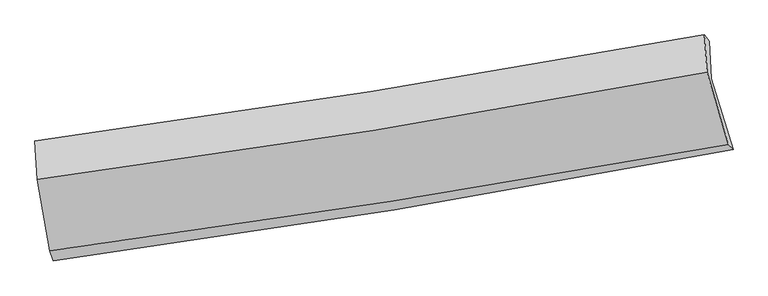
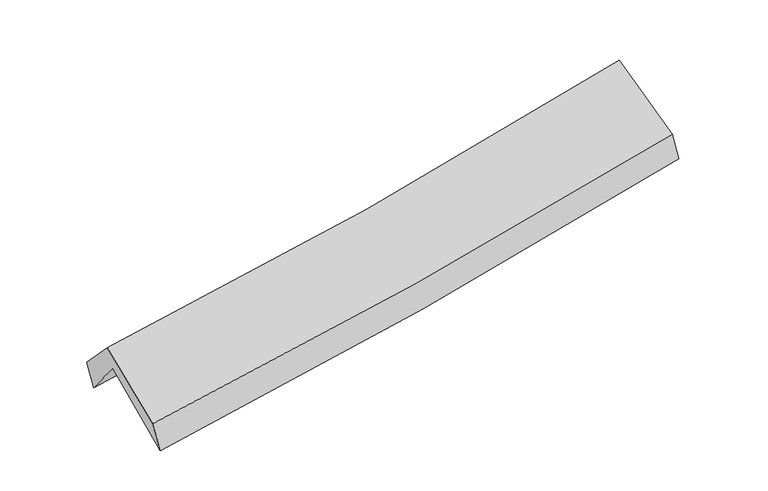
"""IFC4 building model written with IfcOpenShell, lengths in millimetres: proxy geometry."""

from ifc_helpers import new_model, si_unit, frame, origin, place, context, project, spatial, source, transform, mapped, element, save
from ifc_brep_helpers import plane_surface, spline_curve, spline_surface, advanced_brep


def generic_models_4163f539(model_context):
    return source(origin(), model_context, "Body", "AdvancedBrep", [
        advanced_brep(
        [(-2261.7029277, -2471.7681918, 1487.9512297), (-2355.3371126, -1955.9781704, 1922.3863574), (2286.8375913, -1209.6722286, 2333.8012231), (2437.5815587, -1702.2910762, 1907.9644128), (-2366.0961652, -1709.9428166, 1609.756268), (2273.1973323, -952.0271425, 2030.9222585), (-2386.8181272, -1643.0603744, 1797.6510386), (2239.8286081, -907.4932547, 2228.5566318), (-2371.3671056, -1909.0676429, 2077.1091472), (2257.3529028, -1164.7432926, 2499.4924815), (-2283.3323656, -2402.2854187, 1684.71243), (2405.1016283, -1665.4173258, 2110.7081936)],
        [
            (0, 1),
            (1, 2, spline_curve(3, [(-2355.3371126, -1955.9781704, 1922.3863574), (-1575.494429335, -1856.246668022, 1970.788604647), (-798.451875058, -1744.135690254, 2029.30589371), (748.931733228, -1495.331851936, 2166.472935809), (1519.280746834, -1358.674182562, 2245.093935417), (2286.8375913, -1209.6722286, 2333.8012231)], [4, 2, 4], [0.0, 7.799135152701914, 15.587177218448044])),
            (2, 3),
            (3, 0, spline_curve(3, [(2437.5815587, -1702.2910762, 1907.9644128), (1660.188131543, -1852.611725068, 1826.119418458), (880.164949387, -1991.85739457, 1750.216500476), (-686.255715916, -2248.381338868, 1610.195166699), (-1472.660695795, -2365.628041018, 1546.093690234), (-2261.7029277, -2471.7681918, 1487.9512297)], [4, 2, 4], [0.0, 7.78804206574613, 15.587177218448044])),
            (1, 4),
            (4, 5, spline_curve(3, [(-2366.0961652, -1709.9428166, 1609.756268), (-1587.566606413, -1602.140593265, 1660.45233515), (-811.420589611, -1485.028271365, 1720.929468517), (735.003800837, -1232.363247954, 1861.345936449), (1505.288949625, -1096.837011506, 1941.257466513), (2273.1973323, -952.0271425, 2030.9222585)], [4, 2, 4], [0.0, 7.749395330927355, 15.487768322251972])),
            (5, 2),
            (4, 6),
            (6, 7, spline_curve(3, [(-2386.8181272, -1643.0603744, 1797.6510386), (-1610.52717688, -1536.934490091, 1844.634287275), (-836.555065152, -1422.524772668, 1904.069121834), (705.653921598, -1177.3121847, 2047.739715635), (1473.897388303, -1046.53286202, 2131.940078719), (2239.8286081, -907.4932547, 2228.5566318)], [4, 2, 4], [0.0, 7.7367545302546326, 15.46250470052841])),
            (7, 5),
            (6, 8),
            (8, 9, spline_curve(3, [(-2371.3671056, -1909.0676429, 2077.1091472), (-1594.288865331, -1807.729375934, 2129.225844112), (-819.750369846, -1694.980955215, 2190.514376578), (723.149079703, -1446.840402928, 2331.334893834), (1491.517254061, -1311.480707044, 2410.840805965), (2257.3529028, -1164.7432926, 2499.4924815)], [4, 2, 4], [0.0, 7.726648041484381, 15.442306097935457])),
            (9, 7),
            (8, 10),
            (10, 11, spline_curve(3, [(-2283.3323656, -2402.2854187, 1684.71243), (-1496.71459564, -2297.052618036, 1737.64878351), (-712.426479125, -2182.980555751, 1799.648317189), (850.378229602, -1937.332730966, 1941.672668478), (1628.901444475, -1805.782095553, 2021.671722868), (2405.1016283, -1665.4173258, 2110.7081936)], [4, 2, 4], [0.0, 7.776118182507301, 15.541176016208219])),
            (11, 9),
            (10, 0),
            (3, 11),
        ],
        [
            spline_surface(3, 3, [[(-2261.7029277, -2471.7681918, 1487.9512297), (-1472.660695808, -2365.62804104, 1546.093690298), (-686.255715904, -2248.381338803, 1610.195166632), (880.164949375, -1991.857394635, 1750.216500543), (1660.18813162, -1852.611725007, 1826.11941856), (2437.5815587, -1702.2910762, 1907.9644128)], [(-2292.914322674, -2299.838184693, 1632.762938929), (-1506.938606974, -2195.834250058, 1687.65866174), (-723.654435621, -2080.299455911, 1749.89874227), (836.420543939, -1826.348880436, 1888.968645653), (1613.219003351, -1687.965877581, 1965.77759087), (2387.333569574, -1538.08479368, 2049.910016218)], [(-2324.125717626, -2127.908177507, 1777.574648171), (-1541.216518118, -2026.040458998, 1829.223633197), (-761.053155259, -1912.217573031, 1889.602317958), (792.676138582, -1660.840366249, 2027.720790813), (1566.249875059, -1523.320030114, 2105.435763227), (2337.085580426, -1373.87851112, 2191.855619682)], [(-2355.3371126, -1955.9781704, 1922.3863574), (-1575.494429284, -1856.246668016, 1970.788604639), (-798.451874975, -1744.13569014, 2029.305893596), (748.931733145, -1495.331852051, 2166.472935922), (1519.28074679, -1358.674182688, 2245.093935537), (2286.8375913, -1209.6722286, 2333.8012231)]], [4, 4], [4, 2, 4], [0.0, 2.175431119174337], [0.0, 7.799135152701914, 15.587177218448044]),
            spline_surface(3, 3, [[(-2355.3371126, -1955.9781704, 1922.3863574), (-1575.494429284, -1856.246668016, 1970.788604639), (-798.451874975, -1744.13569014, 2029.305893596), (748.931733145, -1495.331852051, 2166.472935922), (1519.28074679, -1358.674182688, 2245.093935537), (2286.8375913, -1209.6722286, 2333.8012231)], [(-2358.923463463, -1873.966385782, 1818.176327595), (-1579.518488309, -1771.54464308, 1867.343181462), (-802.774779796, -1657.766550591, 1926.513751911), (744.289089018, -1407.675650665, 2064.763936095), (1514.616814411, -1271.395125666, 2143.815112538), (2282.290838296, -1123.790533234, 2232.841568253)], [(-2362.509814337, -1791.954601218, 1713.966297805), (-1583.542547346, -1686.842618198, 1763.8977583), (-807.097684666, -1571.397411008, 1823.721610218), (739.646444841, -1320.019449246, 1963.05493626), (1509.952882044, -1184.116068641, 2042.536289479), (2277.744085304, -1037.908837866, 2131.881913347)], [(-2366.0961652, -1709.9428166, 1609.756268), (-1587.566606371, -1602.140593261, 1660.452335123), (-811.420589487, -1485.02827146, 1720.929468532), (735.003800713, -1232.36324786, 1861.345936434), (1505.288949665, -1096.837011619, 1941.25746648), (2273.1973323, -952.0271425, 2030.9222585)]], [4, 4], [4, 2, 4], [0.0, 1.322216241098324], [0.0, 7.749395330927355, 15.487768322251972]),
            spline_surface(3, 3, [[(-2366.0961652, -1709.9428166, 1609.756268), (-1587.566606371, -1602.140593261, 1660.452335123), (-811.420589487, -1485.02827146, 1720.929468532), (735.003800713, -1232.36324786, 1861.345936434), (1505.288949665, -1096.837011619, 1941.25746648), (2273.1973323, -952.0271425, 2030.9222585)], [(-2373.003485846, -1687.648669198, 1672.387858199), (-1595.220129866, -1580.405225557, 1721.846319196), (-819.798748034, -1464.193771873, 1781.976019672), (725.220507667, -1214.012893434, 1923.477196121), (1494.825095861, -1080.068961789, 2004.818337178), (2262.074424226, -937.182513242, 2096.800382927)], [(-2379.910806554, -1665.354521802, 1735.019448401), (-1602.873653425, -1558.669857859, 1783.240303274), (-828.176906581, -1443.35927233, 1843.022570823), (715.43721462, -1195.662539051, 1985.60845582), (1484.361242079, -1063.300911935, 2068.379207895), (2250.951516174, -922.337883958, 2162.678507373)], [(-2386.8181272, -1643.0603744, 1797.6510386), (-1610.52717692, -1536.934490154, 1844.634287347), (-836.555065128, -1422.524772743, 1904.069121962), (705.653921574, -1177.312184625, 2047.739715507), (1473.897388275, -1046.532862105, 2131.940078592), (2239.8286081, -907.4932547, 2228.5566318)]], [4, 4], [4, 2, 4], [0.0, 0.6423684276091146], [0.0, 7.7367545302546326, 15.46250470052841]),
            spline_surface(3, 3, [[(-2386.8181272, -1643.0603744, 1797.6510386), (-1610.52717692, -1536.934490154, 1844.634287347), (-836.555065128, -1422.524772743, 1904.069121962), (705.653921574, -1177.312184625, 2047.739715507), (1473.897388275, -1046.532862105, 2131.940078592), (2239.8286081, -907.4932547, 2228.5566318)], [(-2381.667786689, -1731.729463901, 1890.80374148), (-1605.114406415, -1627.199452065, 1939.498139582), (-830.953500086, -1513.34350021, 1999.550873491), (711.485640981, -1267.154924093, 2142.271441621), (1479.770676831, -1134.848810386, 2224.906987749), (2245.67003967, -993.243267313, 2318.868581695)], [(-2376.517446111, -1820.398553399, 1983.95644432), (-1599.701635845, -1717.464413971, 2034.361991776), (-825.351935012, -1604.162227662, 2095.032625027), (717.31736042, -1356.997663546, 2236.803167742), (1485.643965378, -1223.16475873, 2317.873896923), (2251.51147123, -1078.993279987, 2409.180531605)], [(-2371.3671056, -1909.0676429, 2077.1091472), (-1594.288865339, -1807.729375881, 2129.22584401), (-819.750369969, -1694.980955129, 2190.514376556), (723.149079826, -1446.840403013, 2331.334893856), (1491.517253933, -1311.480707011, 2410.840806081), (2257.3529028, -1164.7432926, 2499.4924815)]], [4, 4], [4, 2, 4], [0.0, 1.2915416178755554], [0.0, 7.726648041484381, 15.442306097935457]),
            spline_surface(3, 3, [[(-2371.3671056, -1909.0676429, 2077.1091472), (-1594.288865339, -1807.729375881, 2129.22584401), (-819.750369969, -1694.980955129, 2190.514376556), (723.149079826, -1446.840403013, 2331.334893856), (1491.517253933, -1311.480707011, 2410.840806081), (2257.3529028, -1164.7432926, 2499.4924815)], [(-2342.022192247, -2073.47356818, 1946.310241467), (-1561.764108782, -1970.837123259, 1998.700157156), (-783.975739707, -1857.647488669, 2060.225690056), (765.558796443, -1610.337845665, 2201.447485431), (1537.311984125, -1476.247836543, 2281.117778334), (2306.602477994, -1331.634637008, 2369.897718864)], [(-2312.677278953, -2237.87949342, 1815.511335733), (-1529.239352285, -2133.944870596, 1868.174470301), (-748.201109453, -2020.314022209, 1929.937003571), (807.96851305, -1773.835288317, 2071.560077021), (1583.106714234, -1641.014966051, 2151.394750596), (2355.852053106, -1498.525981392, 2240.302956236)], [(-2283.3323656, -2402.2854187, 1684.71243), (-1496.714595728, -2297.052617974, 1737.648783447), (-712.426479191, -2182.980555749, 1799.648317071), (850.378229667, -1937.332730969, 1941.672668596), (1628.901444426, -1805.782095583, 2021.671722849), (2405.1016283, -1665.4173258, 2110.7081936)]], [4, 4], [4, 2, 4], [0.0, 2.0889886222537593], [0.0, 7.776118182507301, 15.541176016208219]),
            spline_surface(3, 3, [[(-2283.3323656, -2402.2854187, 1684.71243), (-1496.714595728, -2297.052617974, 1737.648783447), (-712.426479191, -2182.980555749, 1799.648317071), (850.378229667, -1937.332730969, 1941.672668596), (1628.901444426, -1805.782095583, 2021.671722849), (2405.1016283, -1665.4173258, 2110.7081936)], [(-2276.122552983, -2425.446343046, 1619.12536323), (-1488.696629104, -2319.911092309, 1673.797085728), (-703.702891411, -2204.780816769, 1736.49726695), (860.307136254, -1955.50761886, 1877.853945937), (1639.330340131, -1821.391972047, 1956.48762143), (2415.928271741, -1677.708575923, 2043.126933344)], [(-2268.912740317, -2448.607267454, 1553.53829647), (-1480.678662432, -2342.769566705, 1609.945388018), (-694.979303684, -2226.581077783, 1673.346216753), (870.236042789, -1973.682506744, 1814.035223202), (1649.759235914, -1837.001848542, 1891.303519979), (2426.754915259, -1689.999826077, 1975.545673056)], [(-2261.7029277, -2471.7681918, 1487.9512297), (-1472.660695808, -2365.62804104, 1546.093690298), (-686.255715904, -2248.381338803, 1610.195166632), (880.164949375, -1991.857394635, 1750.216500543), (1660.18813162, -1852.611725007, 1826.11941856), (2437.5815587, -1702.2910762, 1907.9644128)]], [4, 4], [4, 2, 4], [0.0, 0.6614905360794762], [0.0, 7.835933330499528, 15.660721234216082]),
            plane_surface(frame((2316.6499369, -1266.9407201, 2185.2408669), z_axis=(0.9736315010586283, 0.19353039350460916, 0.12077949716849287), x_axis=(0.22699502935145735, -0.769214870851995, -0.5973120952315296))),
            plane_surface(frame((-2337.4423007, -2015.3504358, 1763.2610785), z_axis=(-0.99001076355785, -0.12533801465528815, -0.06456833683682567), x_axis=(-0.10310181248726312, 0.3312060112638747, 0.9379086279401183))),
        ],
        [
            (0, [[1, 2, 3, 4]]),
            (1, [[5, 6, 7, -2]]),
            (2, [[8, 9, 10, -6]]),
            (3, [[11, 12, 13, -9]]),
            (4, [[14, 15, 16, -12]]),
            (5, [[17, -4, 18, -15]]),
            (6, [[-16, -18, -3, -7, -10, -13]]),
            (7, [[-17, -14, -11, -8, -5, -1]]),
        ],
    ),
    ])


if __name__ == "__main__":
    model = new_model("IFC4")
    model_context = context("Model", 3, world=origin())
    ifc_project = project(units=[si_unit("LENGTHUNIT", "METRE", prefix="MILLI")], contexts=[model_context])
    site = spatial("IfcSite", under=ifc_project)
    building = spatial("IfcBuilding", under=site)
    placement = place(None, origin())
    generic_models_shape = generic_models_4163f539(model_context)
    element("IfcBuildingElementProxy", 1, Name="Generic Models", at=placement, inside=building, context=model_context, shape_type="MappedRepresentation", body=[
        mapped(generic_models_shape, transform((0.0, 0.0, 0.0), x_axis=(1.0, 0.0, 0.0), y_axis=(0.0, 1.0, 0.0), z_axis=(0.0, 0.0, 1.0))),
    ])
    save(model, "model.ifc")
